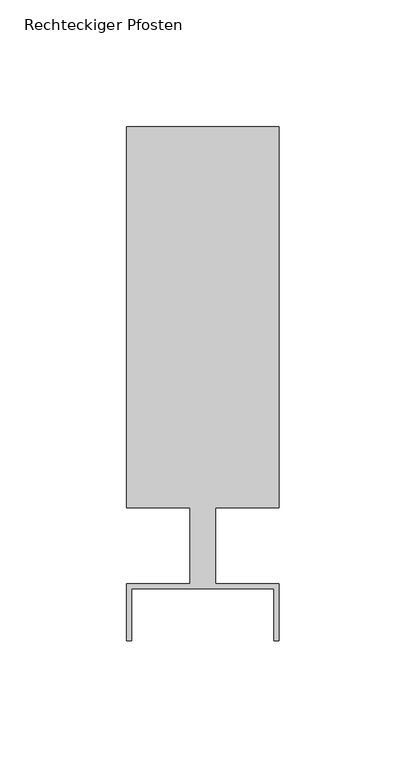
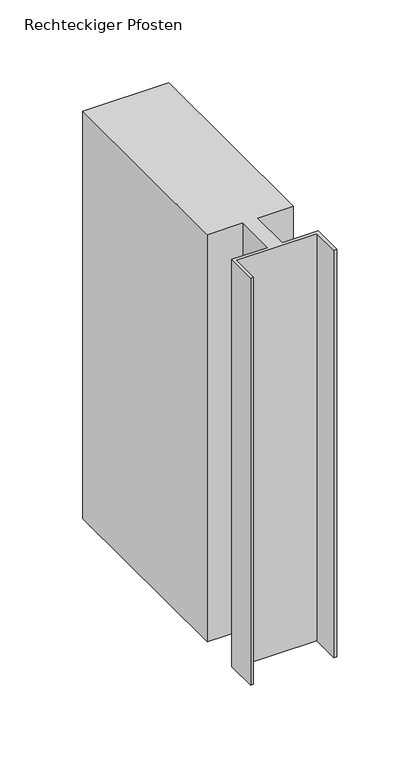
"""IFC4 building model written with IfcOpenShell, lengths in millimetres: member geometry, Rechteckiger Pfosten."""

from ifc_helpers import new_model, si_unit, frame, origin, place, context, project, spatial, polyline, outline, extrude, source, transform, mapped, element, save


def rechteckiger_pfosten_765d34a2(model_context):
    return source(origin(), model_context, "Body", "SweptSolid", [
        extrude(outline(polyline([(-58.0, -37.5), (-60.0, -37.5), (-60.0, -15.0), (-35.0, -15.0), (-35.0, 15.0), (-60.0, 15.0), (-60.0, 165.0), (0.0, 165.0), (0.0, 15.0), (-25.0, 15.0), (-25.0, -15.0), (0.0, -15.0), (0.0, -37.5), (-2.0, -37.5), (-2.0, -17.0), (-58.0, -17.0), (-58.0, -37.5)])), frame((0.0, 0.0, -299.9999984), z_axis=(0.0, 0.0, 1.0), x_axis=(1.0, 0.0, 0.0)), (0.0, 0.0, 1.0), 299.9999984),
    ])


if __name__ == "__main__":
    model = new_model("IFC4")
    model_context = context("Model", 3, world=origin())
    ifc_project = project(units=[si_unit("LENGTHUNIT", "METRE", prefix="MILLI")], contexts=[model_context])
    site = spatial("IfcSite", under=ifc_project)
    building = spatial("IfcBuilding", under=site)
    placement = place(None, origin())
    rechteckiger_pfosten_shape = rechteckiger_pfosten_765d34a2(model_context)
    element("IfcMember", 1, ObjectType="Rechteckiger Pfosten", at=placement, inside=building, context=model_context, shape_type="MappedRepresentation", body=[
        mapped(rechteckiger_pfosten_shape, transform((0.0, 0.0, 0.0), x_axis=(1.0, 0.0, 0.0), y_axis=(0.0, 1.0, 0.0), z_axis=(0.0, 0.0, 1.0))),
    ])
    save(model, "model.ifc")
